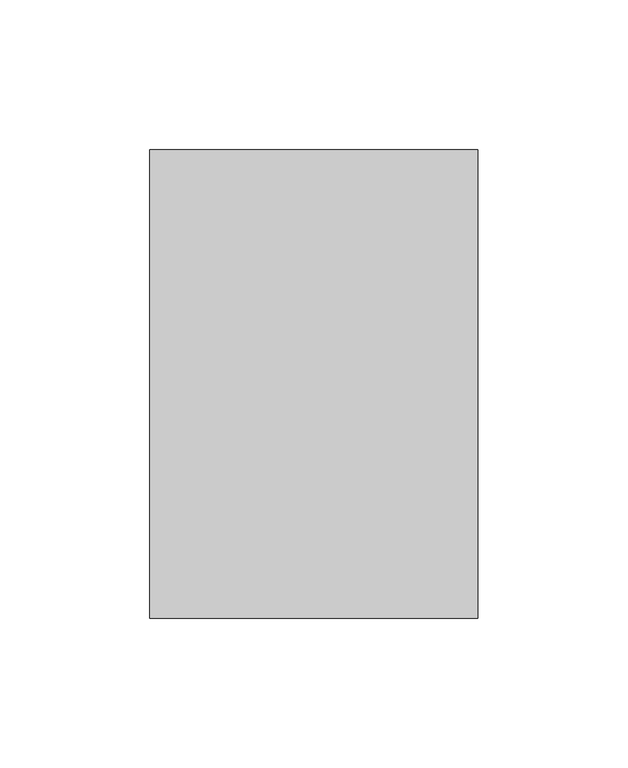
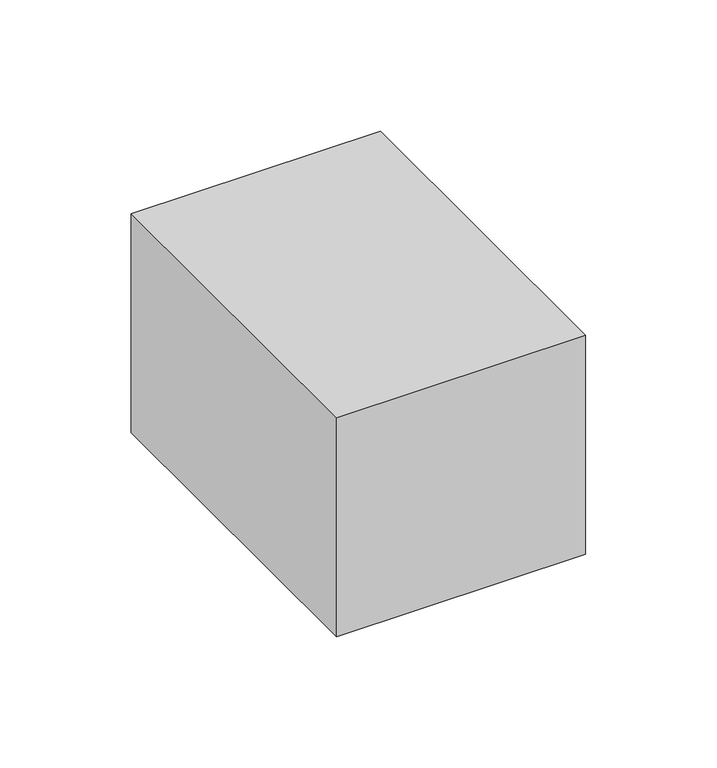
"""IFC4 building model written with IfcOpenShell, lengths in millimetres: proxy geometry."""

from ifc_helpers import new_model, si_unit, frame, origin, place, context, project, spatial, polyline, outline, extrude, source, transform, mapped, element, save


def specialty_equipment_d43fdd69(model_context):
    return source(origin(), model_context, "Body", "SweptSolid", [
        extrude(outline(polyline([(-54.7522818, -156.2100338), (-54.7522818, 0.0), (54.7001687, 0.0), (54.7001687, -156.2100338), (-54.7522818, -156.2100338)])), frame((0.0, 0.0, 2743.2), z_axis=(0.0, 0.0, 1.0), x_axis=(1.0, 0.0, 0.0)), (0.0, 0.0, 1.0), 101.6),
    ])


if __name__ == "__main__":
    model = new_model("IFC4")
    model_context = context("Model", 3, world=origin())
    ifc_project = project(units=[si_unit("LENGTHUNIT", "METRE", prefix="MILLI")], contexts=[model_context])
    site = spatial("IfcSite", under=ifc_project)
    building = spatial("IfcBuilding", under=site)
    placement = place(None, origin())
    specialty_equipment_shape = specialty_equipment_d43fdd69(model_context)
    element("IfcBuildingElementProxy", 1, Name="Specialty Equipment", at=placement, inside=building, context=model_context, shape_type="MappedRepresentation", body=[
        mapped(specialty_equipment_shape, transform((0.0, 0.0, 0.0), x_axis=(1.0, 0.0, 0.0), y_axis=(0.0, 1.0, 0.0), z_axis=(0.0, 0.0, 1.0))),
    ])
    save(model, "model.ifc")
